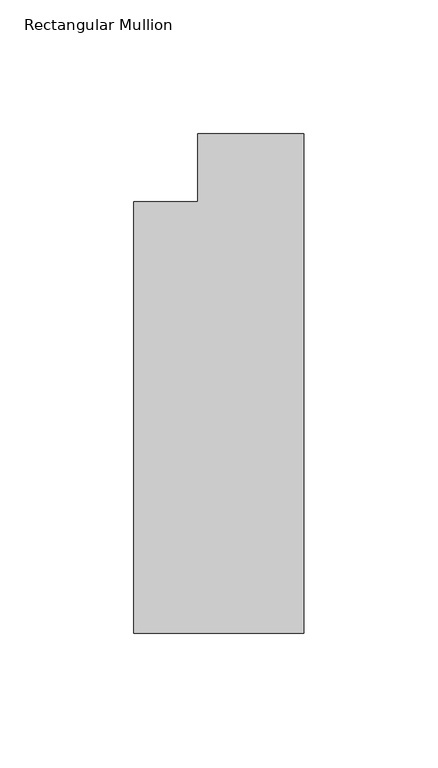
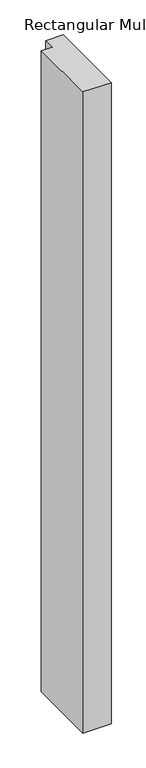
"""IFC4 building model written with IfcOpenShell, lengths in millimetres: member geometry, Rectangular Mullion."""

from ifc_helpers import new_model, si_unit, frame, origin, place, context, project, spatial, polyline, outline, extrude, source, transform, mapped, element, save


def rectangular_mullion_1db7ef8a(model_context):
    return source(origin(), model_context, "Body", "SweptSolid", [
        extrude(outline(polyline([(0.0, -173.83125), (-63.5, -173.83125), (-63.5, -12.7), (-39.6875, -12.7), (-39.6875, 12.7), (0.0, 12.7), (0.0, -173.83125)])), frame((0.0, 0.0, -1524.0), z_axis=(0.0, 0.0, 1.0), x_axis=(1.0, 0.0, 0.0)), (0.0, 0.0, 1.0), 1524.0),
    ])


if __name__ == "__main__":
    model = new_model("IFC4")
    model_context = context("Model", 3, world=origin())
    ifc_project = project(units=[si_unit("LENGTHUNIT", "METRE", prefix="MILLI")], contexts=[model_context])
    site = spatial("IfcSite", under=ifc_project)
    building = spatial("IfcBuilding", under=site)
    placement = place(None, origin())
    rectangular_mullion_shape = rectangular_mullion_1db7ef8a(model_context)
    element("IfcMember", 1, ObjectType="Rectangular Mullion", at=placement, inside=building, context=model_context, shape_type="MappedRepresentation", body=[
        mapped(rectangular_mullion_shape, transform((0.0, 0.0, 0.0), x_axis=(1.0, 0.0, 0.0), y_axis=(0.0, 1.0, 0.0), z_axis=(0.0, 0.0, 1.0))),
    ])
    save(model, "model.ifc")
